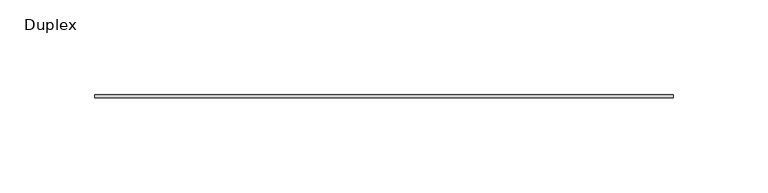
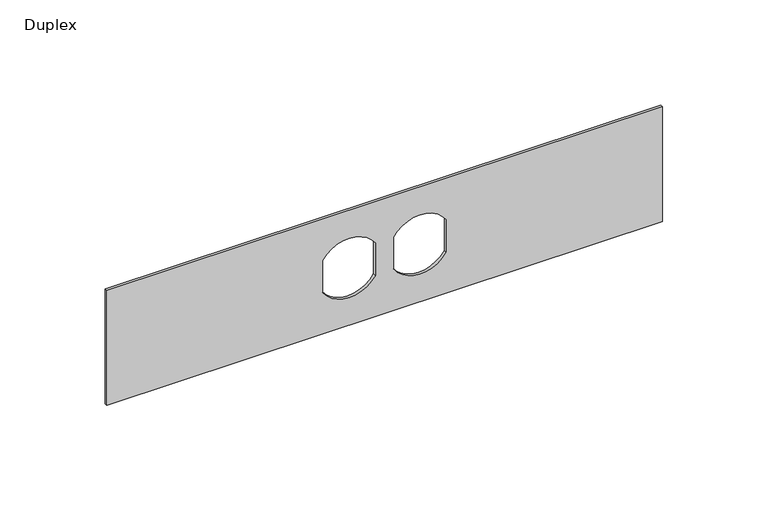
"""IFC4 building model written with IfcOpenShell, lengths in millimetres: furniture geometry, Duplex."""

from ifc_helpers import new_model, si_unit, point, frame, frame_2d, origin, place, context, project, spatial, polyline, circle_curve, trimmed, segment, composite_curve, outline, extrude, source, transform, mapped, element, save


def duplex_5ecab0b6(model_context):
    return source(origin(), model_context, "Body", "SweptSolid", [
        extrude(outline(polyline([(1152.525, 171.1377049), (1152.525, -133.6622951), (1085.85, -133.6622951), (1085.85, 171.1377049), (1152.525, 171.1377049)]), holes=[composite_curve([segment(polyline([(1128.5140625, 13.6775487), (1109.8884118, 13.6775487)]), True, "CONTINUOUS"), segment(trimmed(circle_curve(frame_2d((1119.1875, -0.7091701)), 17.1304033), [point((1109.8884118, 13.6775487))], [point((1109.7366767, -14.9966701))], True, "CARTESIAN"), True, "CONTINUOUS"), segment(polyline([(1109.7366767, -14.9966701), (1128.5140625, -14.9966701)]), True, "CONTINUOUS"), segment(trimmed(circle_curve(frame_2d((1119.1386685, -0.6595607)), 17.1304033), [point((1128.5140625, -14.9966701))], [point((1128.5140625, 13.6775487))], True, "CARTESIAN"), True, "CONTINUOUS")], self_intersect=False), composite_curve([segment(trimmed(circle_curve(frame_2d((1119.1875, 38.1845799)), 17.1304033), [point((1128.4865882, 23.7978612))], [point((1128.6383233, 52.4720799))], True, "CARTESIAN"), True, "CONTINUOUS"), segment(polyline([(1128.6383233, 52.4720799), (1109.7366767, 52.4720799)]), True, "CONTINUOUS"), segment(trimmed(circle_curve(frame_2d((1119.1875, 38.1845799)), 17.1304033), [point((1109.7366767, 52.4720799))], [point((1109.8884118, 23.7978612))], True, "CARTESIAN"), True, "CONTINUOUS"), segment(polyline([(1109.8884118, 23.7978612), (1128.4865882, 23.7978612)]), True, "CONTINUOUS")], self_intersect=False)]), frame((0.0, -1.5875, 0.0), z_axis=(0.0, 1.0, 0.0), x_axis=(0.0, 0.0, 1.0)), (0.0, 0.0, 1.0), 1.5875),
    ])


if __name__ == "__main__":
    model = new_model("IFC4")
    model_context = context("Model", 3, world=origin())
    ifc_project = project(units=[si_unit("LENGTHUNIT", "METRE", prefix="MILLI")], contexts=[model_context])
    site = spatial("IfcSite", under=ifc_project)
    building = spatial("IfcBuilding", under=site)
    placement = place(None, origin())
    duplex_shape = duplex_5ecab0b6(model_context)
    element("IfcFurniture", 1, ObjectType="Duplex", at=placement, inside=building, context=model_context, shape_type="MappedRepresentation", body=[
        mapped(duplex_shape, transform((0.0, 0.0, 0.0), x_axis=(1.0, 0.0, 0.0), y_axis=(0.0, 1.0, 0.0), z_axis=(0.0, 0.0, 1.0))),
    ])
    save(model, "model.ifc")
